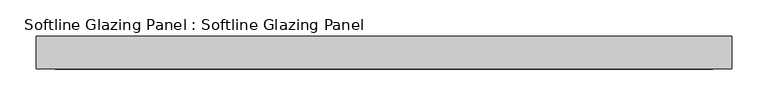
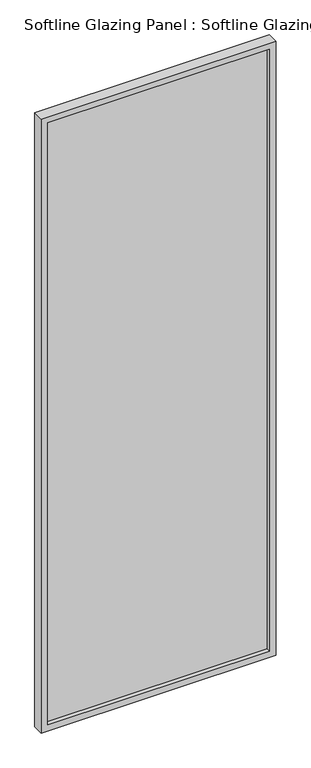
"""IFC4 building model written with IfcOpenShell, lengths in millimetres: plate geometry, Softline Glazing Panel : Softline Glazing Panel."""

from ifc_helpers import new_model, si_unit, frame, origin, place, context, project, spatial, polyline, outline, extrude, faceted_brep, source, transform, mapped, element, save


def softline_glazing_panel_softline_glazing_panel_9030dc2e(model_context):
    return source(origin(), model_context, "Body", "SolidModel", [
        extrude(outline(polyline([(462.75, 4.0), (462.75, -4.0), (-462.75, -4.0), (-462.75, 4.0), (462.75, 4.0)])), frame((0.0, 0.0, 16.0), z_axis=(0.0, 0.0, 1.0), x_axis=(1.0, 0.0, 0.0)), (0.0, 0.0, 1.0), 2614.0),
        faceted_brep([(452.75, 4.0, 26.0), (452.75, 22.5, 26.0), (-452.75, 22.5, 26.0), (-452.75, 4.0, 26.0), (462.75, -4.0, 16.0), (462.75, 4.0, 16.0), (-462.75, 4.0, 16.0), (-462.75, -4.0, 16.0), (452.75, -22.5, 26.0), (452.75, -4.0, 26.0), (-452.75, -4.0, 26.0), (-452.75, -22.5, 26.0), (478.75, 22.5, 0.0), (478.75, -22.5, 0.0), (-478.75, -22.5, 0.0), (-478.75, 22.5, 0.0), (-452.75, 22.5, 2620.0), (-452.75, 4.0, 2620.0), (-462.75, 4.0, 2630.0), (-462.75, -4.0, 2630.0), (-452.75, -4.0, 2620.0), (-452.75, -22.5, 2620.0), (-478.75, -22.5, 2646.0), (-478.75, 22.5, 2646.0), (452.75, 22.5, 2620.0), (452.75, 4.0, 2620.0), (462.75, 4.0, 2630.0), (462.75, -4.0, 2630.0), (452.75, -4.0, 2620.0), (452.75, -22.5, 2620.0), (478.75, -22.5, 2646.0), (478.75, 22.5, 2646.0)], [[[0, 1, 2, 3]], [[4, 5, 6, 7]], [[8, 9, 10, 11]], [[12, 13, 14, 15]], [[3, 2, 16, 17]], [[7, 6, 18, 19]], [[11, 10, 20, 21]], [[15, 14, 22, 23]], [[17, 16, 24, 25]], [[19, 18, 26, 27]], [[21, 20, 28, 29]], [[23, 22, 30, 31]], [[15, 23, 31, 12], [1, 24, 16, 2]], [[25, 24, 1, 0]], [[5, 26, 18, 6], [3, 17, 25, 0]], [[27, 26, 5, 4]], [[7, 19, 27, 4], [9, 28, 20, 10]], [[29, 28, 9, 8]], [[13, 30, 22, 14], [11, 21, 29, 8]], [[31, 30, 13, 12]]]),
    ])


if __name__ == "__main__":
    model = new_model("IFC4")
    model_context = context("Model", 3, world=origin())
    ifc_project = project(units=[si_unit("LENGTHUNIT", "METRE", prefix="MILLI")], contexts=[model_context])
    site = spatial("IfcSite", under=ifc_project)
    building = spatial("IfcBuilding", under=site)
    placement = place(None, origin())
    softline_glazing_panel_softline_glazing_panel_shape = softline_glazing_panel_softline_glazing_panel_9030dc2e(model_context)
    element("IfcPlate", 1, ObjectType="Softline Glazing Panel : Softline Glazing Panel", at=placement, inside=building, context=model_context, shape_type="MappedRepresentation", body=[
        mapped(softline_glazing_panel_softline_glazing_panel_shape, transform((0.0, 0.0, 0.0), x_axis=(1.0, 0.0, 0.0), y_axis=(0.0, 1.0, 0.0), z_axis=(0.0, 0.0, 1.0))),
    ])
    save(model, "model.ifc")
